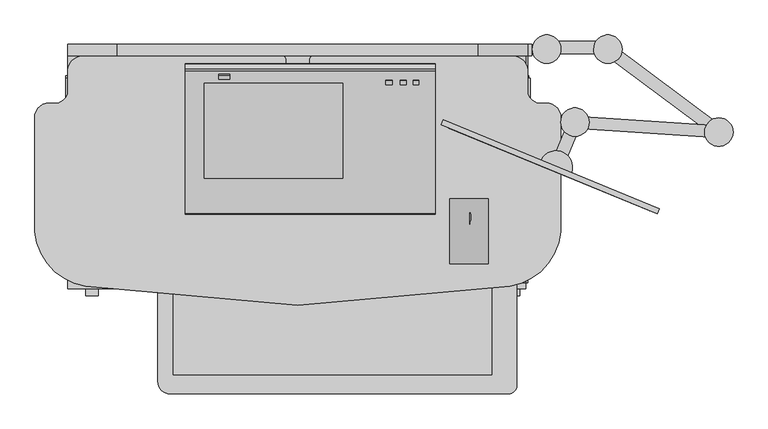
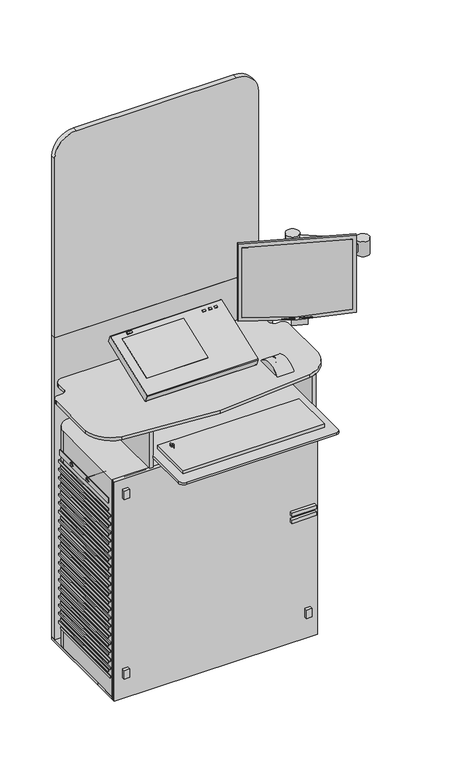
"""IFC4 building model written with IfcOpenShell, lengths in millimetres: proxy geometry."""

from ifc_helpers import new_model, si_unit, point, frame, frame_2d, origin, origin_with_axes, place, context, project, spatial, polyline, circle_curve, ellipse_curve, trimmed, segment, composite_curve, outline, extrude, source, transform, mapped, element, save
from ifc_brep_helpers import plane_surface, cylinder_surface, revolved_surface, advanced_brep


def specialty_equipment_f23230fa(model_context):
    return source(origin(), model_context, "Body", "SolidModel", [
        extrude(outline(polyline([(297.517385, 84.1612432), (281.3914921, 90.8049892), (281.7398144, 91.650447), (297.8657072, 85.0067011), (297.517385, 84.1612432)])), frame((0.0, 0.0, 1036.8507209), z_axis=(0.0, 0.0, 1.0), x_axis=(1.0, 0.0, 0.0)), (0.0, 0.0, 1.0), 2.5579936),
        extrude(outline(polyline([(227.7314208, 112.9038642), (211.605528, 119.5476102), (211.9522853, 120.3892695), (228.0781781, 113.7455235), (227.7314208, 112.9038642)])), frame((0.0, 0.0, 1036.8507209), z_axis=(0.0, 0.0, 1.0), x_axis=(1.0, 0.0, 0.0)), (0.0, 0.0, 1.0), 2.5579936),
        extrude(outline(polyline([(248.2912361, 104.4333758), (232.1653432, 111.0771217), (232.5121005, 111.918781), (248.6379934, 105.2750351), (248.2912361, 104.4333758)])), frame((0.0, 0.0, 1036.8507209), z_axis=(0.0, 0.0, 1.0), x_axis=(1.0, 0.0, 0.0)), (0.0, 0.0, 1.0), 2.5579936),
        extrude(outline(polyline([(277.8487983, 92.2558836), (261.7229054, 98.8996296), (262.0696627, 99.7412889), (278.1955555, 93.0975429), (277.8487983, 92.2558836)])), frame((0.0, 0.0, 1036.8507209), z_axis=(0.0, 0.0, 1.0), x_axis=(1.0, 0.0, 0.0)), (0.0, 0.0, 1.0), 2.5579936),
        extrude(outline(composite_curve([segment(polyline([(12.7, 0.0), (270.7870965, 0.0)]), True, "CONTINUOUS"), segment(trimmed(circle_curve(frame_2d((-1020.5811887, -167.6186944)), 1302.2012421), [point((270.7870965, 0.0))], [point((270.7870965, -335.2373888))], False, "CARTESIAN"), True, "CONTINUOUS"), segment(polyline([(270.7870965, -335.2373888), (12.7, -335.2373888), (12.7, 0.0)]), True, "CONTINUOUS")], self_intersect=False)), frame((100.0261643, 165.5174645, 1325.8650887), z_axis=(0.38092983661507274, 0.9246039474155484, 0.0), x_axis=(0.0, 0.0, -1.0)), (0.0, 0.0, 1.0), 0.3382151),
        extrude(outline(composite_curve([segment(polyline([(-7.62, 0.0), (353.0173888, 0.0), (353.0173888, -281.8973888)]), True, "CONTINUOUS"), segment(trimmed(circle_curve(frame_2d((172.6986944, 1020.5811887)), 1314.9012421), [point((353.0173888, -281.8973888))], [point((-7.62, -281.8973888))], False, "CARTESIAN"), True, "CONTINUOUS"), segment(polyline([(-7.62, -281.8973888), (-7.62, 0.0)]), True, "CONTINUOUS")], self_intersect=False)), frame((414.8138015, 36.1931322, 1325.8650887), z_axis=(0.38092983661507274, 0.9246039474155484, 0.0), x_axis=(-0.9246039474155484, 0.38092983661507274, 0.0)), (0.0, 0.0, 1.0), 8.0601397),
        extrude(outline(polyline([(166.5808491, -215.541792), (-325.397847, -215.541792), (-325.397847, -62.5368668), (166.5808491, -62.5368668), (166.5808491, -215.541792)])), frame((0.0, 0.0, 861.06), z_axis=(0.0, 0.0, 1.0), x_axis=(1.0, 0.0, 0.0)), (0.0, 0.0, 1.0), 12.2153731),
        extrude(outline(polyline([(275.1224079, 101.5621091), (257.5087027, 108.8188225), (285.9952109, 177.9621016), (303.6089161, 170.7053882), (275.1224079, 101.5621091)])), frame((0.0, 0.0, 1166.3953514), z_axis=(0.0, 0.0, 1.0), x_axis=(1.0, 0.0, 0.0)), (0.0, 0.0, 1.0), 29.7945157),
        extrude(outline(polyline([(517.41311, 169.2382704), (516.162899, 150.229339), (294.176958, 164.8292792), (295.427169, 183.8382106), (517.41311, 169.2382704)])), frame((0.0, 0.0, 1166.3953514), z_axis=(0.0, 0.0, 1.0), x_axis=(1.0, 0.0, 0.0)), (0.0, 0.0, 1.0), 29.7945157),
        extrude(outline(composite_curve([segment(trimmed(circle_curve(frame_2d((294.791597, 174.5869814)), 21.9765357), [point((316.7681328, 174.5869167))], [point((272.8150613, 174.5870461))], False, "CARTESIAN"), True, "CONTINUOUS"), segment(trimmed(circle_curve(frame_2d((294.791597, 174.5869814)), 21.9765357), [point((272.8150613, 174.5870461))], [point((316.7681328, 174.5869167))], False, "CARTESIAN"), True, "CONTINUOUS")], self_intersect=False)), frame((0.0, 0.0, 1157.8935072), z_axis=(0.0, 0.0, 1.0), x_axis=(1.0, 0.0, 0.0)), (0.0, 0.0, 1.0), 49.5277496),
        extrude(outline(polyline([(340.0130448, 279.3759491), (351.3839031, 294.6601266), (522.4734336, 167.3758935), (511.1025753, 152.091716), (340.0130448, 279.3759491)])), frame((0.0, 0.0, 1166.3953514), z_axis=(0.0, 0.0, 1.0), x_axis=(1.0, 0.0, 0.0)), (0.0, 0.0, 1.0), 29.7945157),
        extrude(outline(composite_curve([segment(trimmed(circle_curve(frame_2d((516.8988543, 159.19636)), 21.9765357), [point((494.9223185, 159.1964247))], [point((538.87539, 159.1962953))], False, "CARTESIAN"), True, "CONTINUOUS"), segment(trimmed(circle_curve(frame_2d((516.8988543, 159.19636)), 21.9765357), [point((538.87539, 159.1962953))], [point((494.9223185, 159.1964247))], False, "CARTESIAN"), True, "CONTINUOUS")], self_intersect=False)), frame((0.0, 0.0, 1152.9690805), z_axis=(0.0, 0.0, 1.0), x_axis=(1.0, 0.0, 0.0)), (0.0, 0.0, 1.0), 54.4521764),
        extrude(outline(polyline([(332.6402212, 299.4409581), (332.6402212, 280.3909581), (257.8587115, 280.3909581), (257.8587115, 299.4409581), (332.6402212, 299.4409581)])), frame((0.0, 0.0, 1096.0748531), z_axis=(0.0, 0.0, 1.0), x_axis=(1.0, 0.0, 0.0)), (0.0, 0.0, 1.0), 32.4121821),
        extrude(outline(composite_curve([segment(trimmed(circle_curve(frame_2d((345.6880075, 287.2712743)), 21.9765357), [point((367.6645432, 287.2712097))], [point((323.7114717, 287.271339))], False, "CARTESIAN"), True, "CONTINUOUS"), segment(trimmed(circle_curve(frame_2d((345.6880075, 287.2712743)), 21.9765357), [point((323.7114717, 287.271339))], [point((367.6645432, 287.2712097))], False, "CARTESIAN"), True, "CONTINUOUS")], self_intersect=False)), frame((0.0, 0.0, 1091.3191632), z_axis=(0.0, 0.0, 1.0), x_axis=(1.0, 0.0, 0.0)), (0.0, 0.0, 1.0), 116.1020936),
        extrude(outline(composite_curve([segment(trimmed(circle_curve(frame_2d((251.0479656, 287.2712743)), 21.9765357), [point((229.0714299, 287.271339))], [point((273.0245013, 287.2712097))], False, "CARTESIAN"), True, "CONTINUOUS"), segment(trimmed(circle_curve(frame_2d((251.0479656, 287.2712743)), 21.9765357), [point((273.0245013, 287.2712097))], [point((229.0714299, 287.271339))], False, "CARTESIAN"), True, "CONTINUOUS")], self_intersect=False)), origin_with_axes(), (0.0, 0.0, 1.0), 1135.7691632),
        extrude(outline(composite_curve([segment(polyline([(1119.7396473, 221.7507764), (1778.8, 221.7507764)]), True, "CONTINUOUS"), segment(trimmed(circle_curve(frame_2d((1778.8, 145.5507764)), 76.2), [point((1778.8, 221.7507764))], [point((1855.0, 145.5507764))], False, "CARTESIAN"), True, "CONTINUOUS"), segment(polyline([(1855.0, 145.5507764), (1855.0, -411.8685707)]), True, "CONTINUOUS"), segment(trimmed(circle_curve(frame_2d((1778.8, -411.8685707)), 76.2), [point((1855.0, -411.8685707))], [point((1778.8, -488.0685707))], False, "CARTESIAN"), True, "CONTINUOUS"), segment(polyline([(1778.8, -488.0685707), (1119.7396473, -488.0685707), (1119.7396473, 221.7507764)]), True, "CONTINUOUS")], self_intersect=False)), frame((0.0, 277.1933198, 0.0), z_axis=(0.0, 1.0, 0.0), x_axis=(0.0, 0.0, 1.0)), (0.0, 0.0, 1.0), 17.7803875),
        extrude(outline(polyline([(-488.0685707, -82.2828145), (-488.0685707, -67.7897703), (219.146711, -67.7897703), (219.146711, -82.2828145), (-488.0685707, -82.2828145)])), origin_with_axes(), (0.0, 0.0, 1.0), 806.3673425),
        extrude(outline(polyline([(-488.069393, 15.6072323), (-488.0685707, 294.974752), (221.7508287, 294.974752), (221.7500064, 15.6051431), (221.7500064, -73.0262927), (-488.069393, -73.0262927), (-488.069393, 15.6072323)])), origin_with_axes(), (0.0, 0.0, 1.0), 8.8224427),
        extrude(outline(polyline([(0.0, -6.5707443), (0.0, 0.0), (10.1771873, 0.0), (10.1771873, -6.5707443), (0.0, -6.5707443)])), frame((12.7947442, 233.6390183, 1067.7028835), z_axis=(0.0, -0.3583679495453047, 0.9335804264972001), x_axis=(-1.0, 0.0, 0.0)), (0.0, 0.0, 1.0), 3.8076568),
        extrude(outline(polyline([(0.0, -6.5707443), (0.0, 0.0), (9.1731199, 0.0), (9.1731199, -6.5707443), (0.0, -6.5707443)])), frame((34.1276144, 233.6390183, 1067.7028835), z_axis=(0.0, -0.3583679495453047, 0.9335804264972001), x_axis=(-1.0, 0.0, 0.0)), (0.0, 0.0, 1.0), 3.8076568),
        extrude(outline(polyline([(0.0, -6.5707443), (0.0, 0.0), (8.6552264, 0.0), (8.6552264, -6.5707443), (0.0, -6.5707443)])), frame((53.6625413, 233.6390183, 1067.7028835), z_axis=(0.0, -0.35836794954530304, 0.9335804264972007), x_axis=(-1.0, 0.0, 0.0)), (0.0, 0.0, 1.0), 3.8076568),
        extrude(outline(polyline([(195.4922945, 1022.8296634), (195.4922945, 961.7812349), (185.0641459, 961.7812349), (185.0641459, 1018.8266721), (195.4922945, 1022.8296634)])), frame((-217.7528862, 0.0, 0.0), z_axis=(1.0, 0.0, 0.0), x_axis=(0.0, 1.0, 0.0)), (0.0, 0.0, 1.0), 11.6086719),
        extrude(outline(polyline([(185.0641459, 1018.5867571), (195.4922945, 1022.5897483), (195.4922945, 1006.3266721), (195.4922945, 963.0369308), (185.0641459, 963.0369308), (185.0641459, 1018.5867571)])), frame((31.3059125, 0.0, 0.0), z_axis=(1.0, 0.0, 0.0), x_axis=(0.0, 1.0, 0.0)), (0.0, 0.0, 1.0), 15.3966757),
        extrude(outline(polyline([(0.0, -6.5707442), (0.0, 0.0), (17.0950173, 0.0), (17.0950173, -6.5707442), (0.0, -6.5707442)])), frame((-238.2048433, 242.2744762, 1071.2576374), z_axis=(0.0, -0.35836794954530304, 0.9335804264972007), x_axis=(-1.0, 0.0, 0.0)), (0.0, 0.0, 1.0), 3.4383567),
        extrude(outline(polyline([(0.0, -156.9042505), (0.0, 0.0), (213.7051142, 0.0), (213.7051142, -156.9042505), (0.0, -156.9042505)])), frame((-63.6741382, 91.5060304, 1002.6716035), z_axis=(0.0, -0.3583679495453031, 0.9335804264972007), x_axis=(-1.0, 0.0, 0.0)), (0.0, 0.0, 1.0), 10.0),
        extrude(outline(composite_curve([segment(polyline([(33.6949995, 991.1441082), (253.0863997, 1075.3605763)]), True, "CONTINUOUS"), segment(trimmed(circle_curve(frame_2d((253.9268859, 1072.4807182)), 3.0), [point((253.0863997, 1075.3605763))], [point((256.6732377, 1073.6880091))], False, "CARTESIAN"), True, "CONTINUOUS"), segment(polyline([(256.6732377, 1073.6880091), (265.1006931, 1051.7337372)]), True, "CONTINUOUS"), segment(trimmed(circle_curve(frame_2d((262.1236299, 1051.3634743)), 3.0), [point((265.1006931, 1051.7337372))], [point((263.4814207, 1048.6883286))], False, "CARTESIAN"), True, "CONTINUOUS"), segment(polyline([(263.4814207, 1048.6883286), (44.0900204, 964.4718605)]), True, "CONTINUOUS"), segment(trimmed(circle_curve(frame_2d((43.5178594, 967.4167937)), 3.0), [point((44.0900204, 964.4718605))], [point((41.0430409, 965.7211306))], False, "CARTESIAN"), True, "CONTINUOUS"), segment(polyline([(41.0430409, 965.7211306), (32.5353235, 987.8844922)]), True, "CONTINUOUS"), segment(trimmed(circle_curve(frame_2d((35.4243945, 988.6927426)), 3.0), [point((32.5353235, 987.8844922))], [point((33.6949995, 991.1441082))], False, "CARTESIAN"), True, "CONTINUOUS")], self_intersect=False)), frame((-307.169024, 0.0, 0.0), z_axis=(1.0, 0.0, 0.0), x_axis=(0.0, 1.0, 0.0)), (0.0, 0.0, 1.0), 385.9649619),
        extrude(outline(composite_curve([segment(polyline([(289.4975857, 96.6527004), (242.5945013, 115.9764166)]), True, "CONTINUOUS"), segment(trimmed(circle_curve(frame_2d((265.5302153, 105.0625253)), 25.4), [point((242.5945013, 115.9764166))], [point((289.4975857, 96.6527004))], False, "CARTESIAN"), True, "CONTINUOUS")], self_intersect=False)), frame((0.0, 0.0, 1006.2312349), z_axis=(0.0, 0.0, 1.0), x_axis=(1.0, 0.0, 0.0)), (0.0, 0.0, 1.0), 232.5416635),
        extrude(outline(polyline([(-348.3825102, -73.0262927), (-360.0803264, -73.0262927), (-360.0803264, 277.1933198), (-348.3825102, 277.1933198), (-348.3825102, -73.0262927)])), frame((0.0, 0.0, 806.3673425), z_axis=(0.0, 0.0, 1.0), x_axis=(1.0, 0.0, 0.0)), (0.0, 0.0, 1.0), 144.8289188),
        extrude(outline(polyline([(219.146711, -73.0262927), (204.7715331, -73.0262927), (204.7715331, 277.1933198), (219.146711, 277.1933198), (219.146711, -73.0262927)])), frame((0.0, 0.0, 806.3673425), z_axis=(0.0, 0.0, 1.0), x_axis=(1.0, 0.0, 0.0)), (0.0, 0.0, 1.0), 144.8289188),
        extrude(outline(polyline([(-50.0262927, 729.7311565), (242.6082304, 729.7311565), (242.6082304, 710.6811565), (-50.0262927, 710.6811565), (-50.0262927, 729.7311565)]), holes=[composite_curve([segment(trimmed(circle_curve(frame_2d((170.8823302, 720.2450612)), 6.35), [point((164.5323302, 720.2450612))], [point((177.2323302, 720.2450612))], True, "CARTESIAN"), True, "CONTINUOUS"), segment(trimmed(circle_curve(frame_2d((170.8823302, 720.2450612)), 6.35), [point((177.2323302, 720.2450612))], [point((164.5323302, 720.2450612))], True, "CARTESIAN"), True, "CONTINUOUS")], self_intersect=False), composite_curve([segment(trimmed(circle_curve(frame_2d((77.0240618, 719.3293708)), 6.35), [point((70.6740618, 719.3293708))], [point((83.3740618, 719.3293708))], True, "CARTESIAN"), True, "CONTINUOUS"), segment(trimmed(circle_curve(frame_2d((77.0240618, 719.3293708)), 6.35), [point((83.3740618, 719.3293708))], [point((70.6740618, 719.3293708))], True, "CARTESIAN"), True, "CONTINUOUS")], self_intersect=False)]), frame((-491.4211212, 0.0, 0.0), z_axis=(1.0, 0.0, 0.0), x_axis=(0.0, 1.0, 0.0)), (0.0, 0.0, 1.0), 717.4166879),
        extrude(outline(polyline([(223.1821824, 246.4903039), (223.1821824, -50.0262927), (-491.4211212, -50.0262927), (-491.4211212, 246.4903039), (223.1821824, 246.4903039)])), frame((0.0, 0.0, 682.3954257), z_axis=(0.0, 0.0, 1.0), x_axis=(1.0, 0.0, 0.0)), (0.0, 0.0, 1.0), 7.7559053),
        extrude(outline(polyline([(223.1821824, 236.9653039), (223.1821824, -62.5368668), (-491.4211212, -62.5368668), (-491.4211212, 236.9653039), (223.1821824, 236.9653039)])), frame((0.0, 0.0, 666.5204257), z_axis=(0.0, 0.0, 1.0), x_axis=(1.0, 0.0, 0.0)), (0.0, 0.0, 1.0), 7.7559053),
        extrude(outline(polyline([(223.1821824, 246.4903039), (223.1821824, -50.0262927), (-491.4211212, -50.0262927), (-491.4211212, 246.4903039), (223.1821824, 246.4903039)])), frame((0.0, 0.0, 652.2329257), z_axis=(0.0, 0.0, 1.0), x_axis=(1.0, 0.0, 0.0)), (0.0, 0.0, 1.0), 7.7559053),
        extrude(outline(polyline([(223.1821824, 236.9653039), (223.1821824, -62.5368668), (-491.4211212, -62.5368668), (-491.4211212, 236.9653039), (223.1821824, 236.9653039)])), frame((0.0, 0.0, 636.3579257), z_axis=(0.0, 0.0, 1.0), x_axis=(1.0, 0.0, 0.0)), (0.0, 0.0, 1.0), 7.7559053),
        extrude(outline(polyline([(223.1821824, 246.4903039), (223.1821824, -50.0262927), (-491.4211212, -50.0262927), (-491.4211212, 246.4903039), (223.1821824, 246.4903039)])), frame((0.0, 0.0, 620.4829257), z_axis=(0.0, 0.0, 1.0), x_axis=(1.0, 0.0, 0.0)), (0.0, 0.0, 1.0), 7.7559053),
        extrude(outline(polyline([(223.1821824, 236.9653039), (223.1821824, -62.5368668), (-491.4211212, -62.5368668), (-491.4211212, 236.9653039), (223.1821824, 236.9653039)])), frame((0.0, 0.0, 604.6079257), z_axis=(0.0, 0.0, 1.0), x_axis=(1.0, 0.0, 0.0)), (0.0, 0.0, 1.0), 7.7559053),
        extrude(outline(polyline([(223.1821824, 246.4903039), (223.1821824, -50.0262927), (-491.4211212, -50.0262927), (-491.4211212, 246.4903039), (223.1821824, 246.4903039)])), frame((0.0, 0.0, 590.3204257), z_axis=(0.0, 0.0, 1.0), x_axis=(1.0, 0.0, 0.0)), (0.0, 0.0, 1.0), 7.7559053),
        extrude(outline(polyline([(223.1821824, 236.9653039), (223.1821824, -62.5368668), (-491.4211212, -62.5368668), (-491.4211212, 236.9653039), (223.1821824, 236.9653039)])), frame((0.0, 0.0, 574.4454257), z_axis=(0.0, 0.0, 1.0), x_axis=(1.0, 0.0, 0.0)), (0.0, 0.0, 1.0), 7.7559053),
        extrude(outline(polyline([(223.1821824, 246.4903039), (223.1821824, -50.0262927), (-491.4211212, -50.0262927), (-491.4211212, 246.4903039), (223.1821824, 246.4903039)])), frame((0.0, 0.0, 558.5704257), z_axis=(0.0, 0.0, 1.0), x_axis=(1.0, 0.0, 0.0)), (0.0, 0.0, 1.0), 7.7559053),
        extrude(outline(polyline([(223.1821824, 236.9653039), (223.1821824, -62.5368668), (-491.4211212, -62.5368668), (-491.4211212, 236.9653039), (223.1821824, 236.9653039)])), frame((0.0, 0.0, 542.6954257), z_axis=(0.0, 0.0, 1.0), x_axis=(1.0, 0.0, 0.0)), (0.0, 0.0, 1.0), 7.7559053),
        extrude(outline(polyline([(223.1821824, 246.4903039), (223.1821824, -50.0262927), (-491.4211212, -50.0262927), (-491.4211212, 246.4903039), (223.1821824, 246.4903039)])), frame((0.0, 0.0, 528.4079257), z_axis=(0.0, 0.0, 1.0), x_axis=(1.0, 0.0, 0.0)), (0.0, 0.0, 1.0), 7.7559053),
        extrude(outline(polyline([(223.1821824, 236.9653039), (223.1821824, -62.5368668), (-491.4211212, -62.5368668), (-491.4211212, 236.9653039), (223.1821824, 236.9653039)])), frame((0.0, 0.0, 512.5329257), z_axis=(0.0, 0.0, 1.0), x_axis=(1.0, 0.0, 0.0)), (0.0, 0.0, 1.0), 7.7559053),
        extrude(outline(polyline([(223.1821824, 246.4903039), (223.1821824, -50.0262927), (-491.4211212, -50.0262927), (-491.4211212, 246.4903039), (223.1821824, 246.4903039)])), frame((0.0, 0.0, 496.6579257), z_axis=(0.0, 0.0, 1.0), x_axis=(1.0, 0.0, 0.0)), (0.0, 0.0, 1.0), 7.7559053),
        extrude(outline(polyline([(223.1821824, 236.9653039), (223.1821824, -62.5368668), (-491.4211212, -62.5368668), (-491.4211212, 236.9653039), (223.1821824, 236.9653039)])), frame((0.0, 0.0, 480.7829257), z_axis=(0.0, 0.0, 1.0), x_axis=(1.0, 0.0, 0.0)), (0.0, 0.0, 1.0), 7.7559053),
        extrude(outline(polyline([(223.1821824, 246.4903039), (223.1821824, -50.0262927), (-491.4211212, -50.0262927), (-491.4211212, 246.4903039), (223.1821824, 246.4903039)])), frame((0.0, 0.0, 463.3204257), z_axis=(0.0, 0.0, 1.0), x_axis=(1.0, 0.0, 0.0)), (0.0, 0.0, 1.0), 7.7559053),
        extrude(outline(polyline([(223.1821824, 236.9653039), (223.1821824, -62.5368668), (-491.4211212, -62.5368668), (-491.4211212, 236.9653039), (223.1821824, 236.9653039)])), frame((0.0, 0.0, 447.4454257), z_axis=(0.0, 0.0, 1.0), x_axis=(1.0, 0.0, 0.0)), (0.0, 0.0, 1.0), 7.7559053),
        extrude(outline(polyline([(223.1821824, 246.4903039), (223.1821824, -50.0262927), (-491.4211212, -50.0262927), (-491.4211212, 246.4903039), (223.1821824, 246.4903039)])), frame((0.0, 0.0, 431.5704257), z_axis=(0.0, 0.0, 1.0), x_axis=(1.0, 0.0, 0.0)), (0.0, 0.0, 1.0), 7.7559053),
        extrude(outline(polyline([(223.1821824, 236.9653039), (223.1821824, -62.5368668), (-491.4211212, -62.5368668), (-491.4211212, 236.9653039), (223.1821824, 236.9653039)])), frame((0.0, 0.0, 415.6954257), z_axis=(0.0, 0.0, 1.0), x_axis=(1.0, 0.0, 0.0)), (0.0, 0.0, 1.0), 7.7559053),
        extrude(outline(polyline([(223.1821824, 246.4903039), (223.1821824, -50.0262927), (-491.4211212, -50.0262927), (-491.4211212, 246.4903039), (223.1821824, 246.4903039)])), frame((0.0, 0.0, 401.4079257), z_axis=(0.0, 0.0, 1.0), x_axis=(1.0, 0.0, 0.0)), (0.0, 0.0, 1.0), 7.7559053),
        extrude(outline(polyline([(223.1821824, 236.9653039), (223.1821824, -62.5368668), (-491.4211212, -62.5368668), (-491.4211212, 236.9653039), (223.1821824, 236.9653039)])), frame((0.0, 0.0, 385.5329257), z_axis=(0.0, 0.0, 1.0), x_axis=(1.0, 0.0, 0.0)), (0.0, 0.0, 1.0), 7.7559053),
        extrude(outline(polyline([(223.1821824, 246.4903039), (223.1821824, -50.0262927), (-491.4211212, -50.0262927), (-491.4211212, 246.4903039), (223.1821824, 246.4903039)])), frame((0.0, 0.0, 369.6579257), z_axis=(0.0, 0.0, 1.0), x_axis=(1.0, 0.0, 0.0)), (0.0, 0.0, 1.0), 7.7559053),
        extrude(outline(polyline([(223.1821824, 236.9653039), (223.1821824, -62.5368668), (-491.4211212, -62.5368668), (-491.4211212, 236.9653039), (223.1821824, 236.9653039)])), frame((0.0, 0.0, 353.7829257), z_axis=(0.0, 0.0, 1.0), x_axis=(1.0, 0.0, 0.0)), (0.0, 0.0, 1.0), 7.7559053),
        extrude(outline(polyline([(223.1821824, 246.4903039), (223.1821824, -50.0262927), (-491.4211212, -50.0262927), (-491.4211212, 246.4903039), (223.1821824, 246.4903039)])), frame((0.0, 0.0, 339.4954257), z_axis=(0.0, 0.0, 1.0), x_axis=(1.0, 0.0, 0.0)), (0.0, 0.0, 1.0), 7.7559053),
        extrude(outline(polyline([(223.1821824, 236.9653039), (223.1821824, -62.5368668), (-491.4211212, -62.5368668), (-491.4211212, 236.9653039), (223.1821824, 236.9653039)])), frame((0.0, 0.0, 323.6204257), z_axis=(0.0, 0.0, 1.0), x_axis=(1.0, 0.0, 0.0)), (0.0, 0.0, 1.0), 7.7559053),
        extrude(outline(polyline([(223.1821824, 246.4903039), (223.1821824, -50.0262927), (-491.4211212, -50.0262927), (-491.4211212, 246.4903039), (223.1821824, 246.4903039)])), frame((0.0, 0.0, 307.7454257), z_axis=(0.0, 0.0, 1.0), x_axis=(1.0, 0.0, 0.0)), (0.0, 0.0, 1.0), 7.7559053),
        extrude(outline(polyline([(223.1821824, 236.9653039), (223.1821824, -62.5368668), (-491.4211212, -62.5368668), (-491.4211212, 236.9653039), (223.1821824, 236.9653039)])), frame((0.0, 0.0, 291.8704257), z_axis=(0.0, 0.0, 1.0), x_axis=(1.0, 0.0, 0.0)), (0.0, 0.0, 1.0), 7.7559053),
        extrude(outline(polyline([(223.1821824, 246.4903039), (223.1821824, -50.0262927), (-491.4211212, -50.0262927), (-491.4211212, 246.4903039), (223.1821824, 246.4903039)])), frame((0.0, 0.0, 277.5829257), z_axis=(0.0, 0.0, 1.0), x_axis=(1.0, 0.0, 0.0)), (0.0, 0.0, 1.0), 7.7559053),
        extrude(outline(polyline([(223.1821824, 236.9653039), (223.1821824, -62.5368668), (-491.4211212, -62.5368668), (-491.4211212, 236.9653039), (223.1821824, 236.9653039)])), frame((0.0, 0.0, 261.7079257), z_axis=(0.0, 0.0, 1.0), x_axis=(1.0, 0.0, 0.0)), (0.0, 0.0, 1.0), 7.7559053),
        extrude(outline(polyline([(223.1821824, 246.4903039), (223.1821824, -50.0262927), (-491.4211212, -50.0262927), (-491.4211212, 246.4903039), (223.1821824, 246.4903039)])), frame((0.0, 0.0, 245.8329257), z_axis=(0.0, 0.0, 1.0), x_axis=(1.0, 0.0, 0.0)), (0.0, 0.0, 1.0), 7.7559053),
        extrude(outline(polyline([(223.1821824, 236.9653039), (223.1821824, -62.5368668), (-491.4211212, -62.5368668), (-491.4211212, 236.9653039), (223.1821824, 236.9653039)])), frame((0.0, 0.0, 229.9579257), z_axis=(0.0, 0.0, 1.0), x_axis=(1.0, 0.0, 0.0)), (0.0, 0.0, 1.0), 7.7559053),
        extrude(outline(polyline([(223.1821824, 246.4903039), (223.1821824, -50.0262927), (-491.4211212, -50.0262927), (-491.4211212, 246.4903039), (223.1821824, 246.4903039)])), frame((0.0, 0.0, 214.0829257), z_axis=(0.0, 0.0, 1.0), x_axis=(1.0, 0.0, 0.0)), (0.0, 0.0, 1.0), 7.7559053),
        extrude(outline(polyline([(223.1821824, 236.9653039), (223.1821824, -62.5368668), (-491.4211212, -62.5368668), (-491.4211212, 236.9653039), (223.1821824, 236.9653039)])), frame((0.0, 0.0, 198.2079257), z_axis=(0.0, 0.0, 1.0), x_axis=(1.0, 0.0, 0.0)), (0.0, 0.0, 1.0), 7.7559053),
        extrude(outline(polyline([(223.1821824, 246.4903039), (223.1821824, -50.0262927), (-491.4211212, -50.0262927), (-491.4211212, 246.4903039), (223.1821824, 246.4903039)])), frame((0.0, 0.0, 183.9204257), z_axis=(0.0, 0.0, 1.0), x_axis=(1.0, 0.0, 0.0)), (0.0, 0.0, 1.0), 7.7559053),
        extrude(outline(polyline([(223.1821824, 236.9653039), (223.1821824, -62.5368668), (-491.4211212, -62.5368668), (-491.4211212, 236.9653039), (223.1821824, 236.9653039)])), frame((0.0, 0.0, 168.0454257), z_axis=(0.0, 0.0, 1.0), x_axis=(1.0, 0.0, 0.0)), (0.0, 0.0, 1.0), 7.7559053),
        extrude(outline(polyline([(223.1821824, 246.4903039), (223.1821824, -50.0262927), (-491.4211212, -50.0262927), (-491.4211212, 246.4903039), (223.1821824, 246.4903039)])), frame((0.0, 0.0, 152.1704257), z_axis=(0.0, 0.0, 1.0), x_axis=(1.0, 0.0, 0.0)), (0.0, 0.0, 1.0), 7.7559053),
        extrude(outline(polyline([(223.1821824, 236.9653039), (223.1821824, -62.5368668), (-491.4211212, -62.5368668), (-491.4211212, 236.9653039), (223.1821824, 236.9653039)])), frame((0.0, 0.0, 136.2954257), z_axis=(0.0, 0.0, 1.0), x_axis=(1.0, 0.0, 0.0)), (0.0, 0.0, 1.0), 7.7559053),
        extrude(outline(polyline([(223.1821824, 246.4903039), (223.1821824, -50.0262927), (-491.4211212, -50.0262927), (-491.4211212, 246.4903039), (223.1821824, 246.4903039)])), frame((0.0, 0.0, 122.0079257), z_axis=(0.0, 0.0, 1.0), x_axis=(1.0, 0.0, 0.0)), (0.0, 0.0, 1.0), 7.7559053),
        extrude(outline(polyline([(223.1821824, 236.9653039), (223.1821824, -62.5368668), (-491.4211212, -62.5368668), (-491.4211212, 236.9653039), (223.1821824, 236.9653039)])), frame((0.0, 0.0, 106.1329257), z_axis=(0.0, 0.0, 1.0), x_axis=(1.0, 0.0, 0.0)), (0.0, 0.0, 1.0), 7.7559053),
        extrude(outline(polyline([(223.1821824, 246.4903039), (223.1821824, -50.0262927), (-491.4211212, -50.0262927), (-491.4211212, 246.4903039), (223.1821824, 246.4903039)])), frame((0.0, 0.0, 90.2579257), z_axis=(0.0, 0.0, 1.0), x_axis=(1.0, 0.0, 0.0)), (0.0, 0.0, 1.0), 7.7559053),
        extrude(outline(polyline([(223.1821824, 236.9653039), (223.1821824, -62.5368668), (-491.4211212, -62.5368668), (-491.4211212, 236.9653039), (223.1821824, 236.9653039)])), frame((0.0, 0.0, 74.3829257), z_axis=(0.0, 0.0, 1.0), x_axis=(1.0, 0.0, 0.0)), (0.0, 0.0, 1.0), 7.7559053),
        extrude(outline(polyline([(-441.4143526, -93.5351312), (-460.4643526, -93.5351312), (-460.4643526, -67.7897703), (-441.4143526, -67.7897703), (-441.4143526, -93.5351312)])), frame((0.0, 0.0, 739.6047646), z_axis=(0.0, 0.0, 1.0), x_axis=(1.0, 0.0, 0.0)), (0.0, 0.0, 1.0), 31.75),
        extrude(outline(polyline([(194.139739, -93.5351312), (175.089739, -93.5351312), (175.089739, -67.7897703), (194.139739, -67.7897703), (194.139739, -93.5351312)])), frame((0.0, 0.0, 739.6047646), z_axis=(0.0, 0.0, 1.0), x_axis=(1.0, 0.0, 0.0)), (0.0, 0.0, 1.0), 31.75),
        extrude(outline(polyline([(-441.4143526, -93.5351312), (-460.4643526, -93.5351312), (-460.4643526, -67.7897703), (-441.4143526, -67.7897703), (-441.4143526, -93.5351312)])), frame((0.0, 0.0, 79.2047646), z_axis=(0.0, 0.0, 1.0), x_axis=(1.0, 0.0, 0.0)), (0.0, 0.0, 1.0), 31.75),
        extrude(outline(polyline([(194.139739, -93.5351312), (175.089739, -93.5351312), (175.089739, -67.7897703), (194.139739, -67.7897703), (194.139739, -93.5351312)])), frame((0.0, 0.0, 79.2047646), z_axis=(0.0, 0.0, 1.0), x_axis=(1.0, 0.0, 0.0)), (0.0, 0.0, 1.0), 31.75),
        extrude(outline(polyline([(209.6087756, -93.5351312), (124.8378814, -93.5351312), (124.8378814, -67.7897703), (209.6087756, -67.7897703), (209.6087756, -93.5351312)])), frame((0.0, 0.0, 472.2811037), z_axis=(0.0, 0.0, 1.0), x_axis=(1.0, 0.0, 0.0)), (0.0, 0.0, 1.0), 12.7),
        extrude(outline(polyline([(209.6087149, -93.5351312), (124.8378814, -93.5351312), (124.8378814, -67.7897703), (209.6087149, -67.7897703), (209.6087149, -93.5351312)])), frame((0.0, 0.0, 446.8811037), z_axis=(0.0, 0.0, 1.0), x_axis=(1.0, 0.0, 0.0)), (0.0, 0.0, 1.0), 12.7),
        advanced_brep(
        [(170.943957, 277.1933198, 806.3673425), (-437.2685707, 277.1933198, 806.3673425), (-488.0685707, 226.3933198, 806.3673425), (-488.0685707, -73.0262927, 806.3673425), (221.7507764, -73.0262927, 806.3673425), (221.7507764, 226.3933198, 806.3673425), (170.943957, 277.1933198, 9.4447536), (221.743957, 226.3933198, 9.4447536), (221.7507764, -73.0262927, 9.4447536), (-488.0685707, -73.0262927, 9.4447536), (-488.0685707, 226.3933198, 9.4447536), (-437.2685707, 277.1933198, 9.4447536)],
        [
            (0, 1),
            (1, 2, circle_curve(frame((-437.2685707, 226.3933198, 806.3673425), z_axis=(0.0, 0.0, 1.0), x_axis=(1.0, 0.0, 0.0)), 50.8)),
            (2, 3),
            (3, 4),
            (4, 5),
            (5, 0, circle_curve(frame((170.943957, 226.3933198, 806.3673425), z_axis=(0.0, 0.0, 1.0), x_axis=(-1.0, 0.0, 0.0)), 50.8)),
            (6, 7, circle_curve(frame((170.943957, 226.3933198, 9.4447536), z_axis=(0.0, 0.0, -1.0), x_axis=(-1.0, 0.0, 0.0)), 50.8)),
            (7, 8),
            (8, 9),
            (9, 10),
            (10, 11, circle_curve(frame((-437.2685707, 226.3933198, 9.4447536), z_axis=(0.0, 0.0, -1.0), x_axis=(1.0, 0.0, 0.0)), 50.8)),
            (11, 6),
            (0, 6),
            (11, 1),
            (10, 2),
            (9, 3),
            (8, 4),
            (7, 5),
        ],
        [
            plane_surface(frame((-488.0685707, 277.1933198, 806.3673425), z_axis=(0.0, 0.0, 1.0), x_axis=(-1.0, 0.0, 0.0))),
            plane_surface(frame((-488.0685707, 277.1933198, 9.4447536), z_axis=(0.0, 0.0, -1.0), x_axis=(1.0, 0.0, 0.0))),
            plane_surface(frame((170.943957, 277.1933198, 806.3673425), z_axis=(0.0, 1.0, 0.0), x_axis=(0.0, 0.0, -1.0))),
            cylinder_surface(frame((-437.2685707, 226.3933198, 9.4447536), z_axis=(0.0, 0.0, 1.0), x_axis=(1.0, 0.0, 0.0)), 50.8),
            plane_surface(frame((-488.0685707, 226.3933198, 806.3673425), z_axis=(-1.0, 0.0, 0.0), x_axis=(0.0, 0.0, -1.0))),
            plane_surface(frame((-488.0685707, -73.0262927, 806.3673425), z_axis=(0.0, -1.0, 0.0), x_axis=(0.0, 0.0, -1.0))),
            plane_surface(frame((221.7507764, -73.0262927, 806.3673425), z_axis=(1.0, 0.0, 0.0), x_axis=(0.0, 0.0, -1.0))),
            cylinder_surface(frame((170.943957, 226.3933198, 9.4447536), z_axis=(0.0, 0.0, 1.0), x_axis=(-1.0, 0.0, 0.0)), 50.8),
        ],
        [
            (0, [[1, 2, 3, 4, 5, 6]]),
            (1, [[7, 8, 9, 10, 11, 12]]),
            (2, [[-1, 13, -12, 14]]),
            (3, [[-2, -14, -11, 15]]),
            (4, [[-3, -15, -10, 16]]),
            (5, [[-4, -16, -9, 17]]),
            (6, [[-5, -17, -8, 18]]),
            (7, [[-6, -18, -7, -13]]),
        ],
    ),
        extrude(outline(composite_curve([segment(trimmed(circle_curve(frame_2d((-156.5529246, 2025.4982365)), 2133.4884445), [point((194.4480734, -78.9188424))], [point((-133.1623068, -107.8619819))], False, "CARTESIAN"), True, "CONTINUOUS"), segment(trimmed(circle_curve(frame_2d((-109.771689, 2025.4982365)), 2133.4884445), [point((-133.1623068, -107.8619819))], [point((-460.772687, -78.9188424))], False, "CARTESIAN"), True, "CONTINUOUS"), segment(trimmed(circle_curve(frame_2d((-445.3236205, 13.7056221)), 93.9040206), [point((-460.772687, -78.9188424))], [point((-538.87539, 5.5796454))], False, "CARTESIAN"), True, "CONTINUOUS"), segment(polyline([(-538.87539, 5.5796454), (-538.87539, 181.9433198), (-538.87539, 186.9296315)]), True, "CONTINUOUS"), segment(trimmed(circle_curve(frame_2d((-514.5247315, 179.7042991)), 25.4), [point((-538.87539, 186.9296315))], [point((-521.7500639, 204.0549576))], False, "CARTESIAN"), True, "CONTINUOUS"), segment(polyline([(-521.7500639, 204.0549576), (-502.8172747, 204.0549576)]), True, "CONTINUOUS"), segment(trimmed(circle_curve(frame_2d((-511.8160336, 227.8074804)), 25.4), [point((-502.8172747, 204.0549576))], [point((-488.0635108, 218.8087214))], True, "CARTESIAN"), True, "CONTINUOUS"), segment(polyline([(-488.0635108, 218.8087214), (-488.0635108, 256.3070794)]), True, "CONTINUOUS"), segment(trimmed(circle_curve(frame_2d((-463.0080246, 252.1378336)), 25.4), [point((-488.0635108, 256.3070794))], [point((-467.1772704, 277.1933198))], False, "CARTESIAN"), True, "CONTINUOUS"), segment(polyline([(-467.1772704, 277.1933198), (-392.4777155, 277.1933198), (-157.5277155, 277.1933198)]), True, "CONTINUOUS"), segment(trimmed(circle_curve(frame_2d((-157.5277155, 271.6078078)), 5.585512), [point((-157.5277155, 277.1933198))], [point((-151.9422035, 271.6078078))], False, "CARTESIAN"), True, "CONTINUOUS"), segment(polyline([(-151.9422035, 271.6078078), (-151.9422035, 259.247898)]), True, "CONTINUOUS"), segment(trimmed(circle_curve(frame_2d((-144.4876253, 259.247898)), 7.4545782), [point((-151.9422035, 259.247898))], [point((-144.4876253, 251.7933198))], True, "CARTESIAN"), True, "CONTINUOUS"), segment(polyline([(-144.4876253, 251.7933198), (-133.1623068, 251.7933198), (-121.8369883, 251.7933198)]), True, "CONTINUOUS"), segment(trimmed(circle_curve(frame_2d((-121.8369883, 259.247898)), 7.4545782), [point((-121.8369883, 251.7933198))], [point((-114.3824102, 259.247898))], True, "CARTESIAN"), True, "CONTINUOUS"), segment(polyline([(-114.3824102, 259.247898), (-114.3824102, 271.6078078)]), True, "CONTINUOUS"), segment(trimmed(circle_curve(frame_2d((-108.7968982, 271.6078078)), 5.585512), [point((-114.3824102, 271.6078078))], [point((-108.7968982, 277.1933198))], False, "CARTESIAN"), True, "CONTINUOUS"), segment(polyline([(-108.7968982, 277.1933198), (126.1531018, 277.1933198), (200.8526567, 277.1933198)]), True, "CONTINUOUS"), segment(trimmed(circle_curve(frame_2d((196.683411, 252.1378336)), 25.4), [point((200.8526567, 277.1933198))], [point((221.7388972, 256.3070794))], False, "CARTESIAN"), True, "CONTINUOUS"), segment(polyline([(221.7388972, 256.3070794), (221.7388972, 218.8087214)]), True, "CONTINUOUS"), segment(trimmed(circle_curve(frame_2d((245.49142, 227.8074804)), 25.4), [point((221.7388972, 218.8087214))], [point((236.4926611, 204.0549576))], True, "CARTESIAN"), True, "CONTINUOUS"), segment(polyline([(236.4926611, 204.0549576), (255.4254503, 204.0549576)]), True, "CONTINUOUS"), segment(trimmed(circle_curve(frame_2d((248.2001178, 179.7042991)), 25.4), [point((255.4254503, 204.0549576))], [point((272.5507764, 186.9296315))], False, "CARTESIAN"), True, "CONTINUOUS"), segment(polyline([(272.5507764, 186.9296315), (272.5507764, 181.9433198), (272.5507764, 5.5796454)]), True, "CONTINUOUS"), segment(trimmed(circle_curve(frame_2d((178.9990069, 13.7056221)), 93.9040206), [point((272.5507764, 5.5796454))], [point((194.4480734, -78.9188424))], False, "CARTESIAN"), True, "CONTINUOUS")], self_intersect=False)), frame((0.0, 0.0, 951.1962613), z_axis=(0.0, 0.0, 1.0), x_axis=(1.0, 0.0, 0.0)), (0.0, 0.0, 1.0), 11.8406696),
        advanced_brep(
        [(131.9851632, 16.9922573, 974.7323376), (131.9851632, 34.6330753, 974.7323376), (133.7161319, 34.6330753, 974.7323376), (133.7161319, 16.9922573, 974.7323376)],
        [
            (0, 1, circle_curve(frame((131.9851632, 25.8126663, 974.7323376), z_axis=(1.0, 0.0, 0.0), x_axis=(0.0, 1.0, 0.0)), 8.820409)),
            (1, 2, circle_curve(frame((132.8506476, 34.6330753, 974.7323376), z_axis=(0.0, 0.0, -1.0), x_axis=(-1.0, 0.0, 0.0)), 0.8654843)),
            (2, 3, circle_curve(frame((133.7161319, 25.8126663, 974.7323376), z_axis=(-1.0, 0.0, 0.0), x_axis=(0.0, 1.0, 0.0)), 8.820409)),
            (3, 0, circle_curve(frame((132.8506476, 16.9922573, 974.7323376), z_axis=(0.0, 0.0, -1.0), x_axis=(-1.0, 0.0, 0.0)), 0.8654843)),
            (2, 1, circle_curve(frame((132.8506476, 34.6330753, 974.7323376), z_axis=(0.0, 0.0, -1.0), x_axis=(-1.0, 0.0, 0.0)), 0.8654843)),
            (0, 3, circle_curve(frame((132.8506476, 16.9922573, 974.7323376), z_axis=(0.0, 0.0, -1.0), x_axis=(-1.0, 0.0, 0.0)), 0.8654843)),
            (1, 0, circle_curve(frame((131.9851632, 25.8126663, 974.7323376), z_axis=(1.0, 0.0, 0.0), x_axis=(0.0, -1.0, 0.0)), 8.820409)),
            (3, 2, circle_curve(frame((133.7161319, 25.8126663, 974.7323376), z_axis=(-1.0, 0.0, 0.0), x_axis=(0.0, -1.0, 0.0)), 8.820409)),
        ],
        [
            revolved_surface(trimmed(ellipse_curve(frame((132.8506476, 34.6330753, 974.7323376), z_axis=(0.0, 0.0, 1.0), x_axis=(-1.0, 0.0, 0.0)), 0.8654843, 0.8654843), [point((133.7161319, 34.6330753, 974.7323376))], [point((131.9851632, 34.6330753, 974.7323376))], True, "CARTESIAN"), (101.81297, 25.8126663, 974.7323376), (-1.0, 0.0, 0.0)),
            revolved_surface(trimmed(ellipse_curve(frame((132.8506476, 34.6330753, 974.7323376), z_axis=(0.0, 0.0, 1.0), x_axis=(-1.0, 0.0, 0.0)), 0.8654843, 0.8654843), [point((131.9851632, 34.6330753, 974.7323376))], [point((133.7161319, 34.6330753, 974.7323376))], True, "CARTESIAN"), (101.81297, 25.8126663, 974.7323376), (-1.0, 0.0, 0.0)),
            revolved_surface(trimmed(ellipse_curve(frame((132.8506476, 16.9922573, 974.7323376), z_axis=(0.0, 0.0, -1.0), x_axis=(-1.0, 0.0, 0.0)), 0.8654843, 0.8654843), [point((133.7161319, 16.9922573, 974.7323376))], [point((131.9851632, 16.9922573, 974.7323376))], True, "CARTESIAN"), (101.81297, 25.8126663, 974.7323376), (-1.0, 0.0, 0.0)),
            revolved_surface(trimmed(ellipse_curve(frame((132.8506476, 16.9922573, 974.7323376), z_axis=(0.0, 0.0, -1.0), x_axis=(-1.0, 0.0, 0.0)), 0.8654843, 0.8654843), [point((131.9851632, 16.9922573, 974.7323376))], [point((133.7161319, 16.9922573, 974.7323376))], True, "CARTESIAN"), (101.81297, 25.8126663, 974.7323376), (-1.0, 0.0, 0.0)),
        ],
        [
            (0, [[1, 2, 3, 4]]),
            (1, [[-3, 5, -1, 6]]),
            (2, [[7, -4, 8, -2]]),
            (3, [[-8, -6, -7, -5]]),
        ],
    ),
        extrude(outline(composite_curve([segment(trimmed(circle_curve(frame_2d((6.4428851, 916.8599582)), 68.9040163), [point((-45.8050083, 961.7812349))], [point((58.6907784, 961.7812349))], False, "CARTESIAN"), True, "CONTINUOUS"), segment(polyline([(58.6907784, 961.7812349), (-45.8050083, 961.7812349)]), True, "CONTINUOUS")], self_intersect=False)), frame((101.81297, 0.0, 0.0), z_axis=(1.0, 0.0, 0.0), x_axis=(0.0, 1.0, 0.0)), (0.0, 0.0, 1.0), 58.9799804),
        extrude(outline(composite_curve([segment(trimmed(circle_curve(frame_2d((-289.0788907, -86.5755489)), 6.35), [point((-285.8350572, -81.1166072))], [point((-292.6092665, -81.2973914))], False, "CARTESIAN"), True, "CONTINUOUS"), segment(polyline([(-292.6092665, -81.2973914), (-292.3476013, -82.8501408)]), True, "CONTINUOUS"), segment(trimmed(circle_curve(frame_2d((-289.0788907, -86.5755489)), 4.9561209), [point((-292.3476013, -82.8501408))], [point((-286.5471063, -82.3148914))], True, "CARTESIAN"), True, "CONTINUOUS"), segment(polyline([(-286.5471063, -82.3148914), (-285.8350572, -81.1166072)]), True, "CONTINUOUS")], self_intersect=False)), frame((0.0, 0.0, 849.5538239), z_axis=(0.0, 0.0, 1.0), x_axis=(1.0, 0.0, 0.0)), (0.0, 0.0, 1.0), 27.512943),
        extrude(outline(polyline([(-288.4272475, -75.685094), (-288.4272475, -87.7662814), (-290.6501597, -87.7662814), (-290.6501597, -75.685094), (-288.4272475, -75.685094)])), frame((0.0, 0.0, 849.5538239), z_axis=(0.0, 0.0, 1.0), x_axis=(1.0, 0.0, 0.0)), (0.0, 0.0, 1.0), 27.512943),
        extrude(outline(composite_curve([segment(polyline([(204.9060252, 65.4021899), (204.9060252, -231.9146019)]), True, "CONTINUOUS"), segment(trimmed(circle_curve(frame_2d((192.2060252, -231.9146019)), 12.7), [point((204.9060252, -231.9146019))], [point((192.2060252, -244.6146019))], False, "CARTESIAN"), True, "CONTINUOUS"), segment(polyline([(192.2060252, -244.6146019), (-330.0876949, -244.6146019)]), True, "CONTINUOUS"), segment(trimmed(circle_curve(frame_2d((-330.0876949, -225.5646019)), 19.05), [point((-330.0876949, -244.6146019))], [point((-349.1376949, -225.5646019))], False, "CARTESIAN"), True, "CONTINUOUS"), segment(polyline([(-349.1376949, -225.5646019), (-349.1376949, 65.4021899)]), True, "CONTINUOUS"), segment(trimmed(circle_curve(frame_2d((-336.4376949, 65.4021899)), 12.7), [point((-349.1376949, 65.4021899))], [point((-336.4376949, 78.1021899))], False, "CARTESIAN"), True, "CONTINUOUS"), segment(polyline([(-336.4376949, 78.1021899), (192.2060252, 78.1021899)]), True, "CONTINUOUS"), segment(trimmed(circle_curve(frame_2d((192.2060252, 65.4021899)), 12.7), [point((192.2060252, 78.1021899))], [point((204.9060252, 65.4021899))], False, "CARTESIAN"), True, "CONTINUOUS")], self_intersect=False)), frame((0.0, 0.0, 842.0316551), z_axis=(0.0, 0.0, 1.0), x_axis=(1.0, 0.0, 0.0)), (0.0, 0.0, 1.0), 7.5221688),
        extrude(outline(polyline([(227.8071342, 294.974752), (227.8071342, 277.1933198), (-488.0685707, 277.1933198), (-488.0685707, 294.974752), (227.8071342, 294.974752)])), frame((0.0, 0.0, 8.201306), z_axis=(0.0, 0.0, 1.0), x_axis=(1.0, 0.0, 0.0)), (0.0, 0.0, 1.0), 1111.5383413),
    ])


if __name__ == "__main__":
    model = new_model("IFC4")
    model_context = context("Model", 3, world=origin())
    ifc_project = project(units=[si_unit("LENGTHUNIT", "METRE", prefix="MILLI")], contexts=[model_context])
    site = spatial("IfcSite", under=ifc_project)
    building = spatial("IfcBuilding", under=site)
    placement = place(None, origin())
    specialty_equipment_shape = specialty_equipment_f23230fa(model_context)
    element("IfcBuildingElementProxy", 1, Name="Specialty Equipment", at=placement, inside=building, context=model_context, shape_type="MappedRepresentation", body=[
        mapped(specialty_equipment_shape, transform((0.0, 0.0, 0.0), x_axis=(1.0, 0.0, 0.0), y_axis=(0.0, 1.0, 0.0), z_axis=(0.0, 0.0, 1.0))),
    ])
    save(model, "model.ifc")
